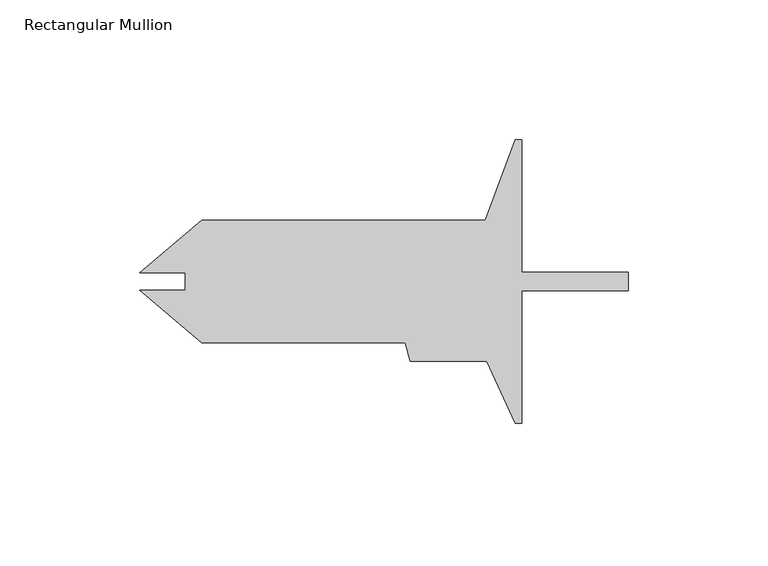
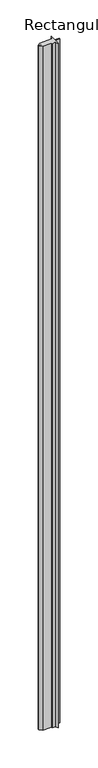
"""IFC4 building model written with IfcOpenShell, lengths in millimetres: member geometry, Rectangular Mullion."""

from ifc_helpers import new_model, si_unit, frame, origin, place, context, project, spatial, polyline, outline, extrude, source, transform, mapped, element, save


def rectangular_mullion_63ae9233(model_context):
    return source(origin(), model_context, "Body", "SweptSolid", [
        extrude(outline(polyline([(-38.1000436, 35.0203513), (0.0, 35.0203513), (0.0, 28.2893513), (-38.1000436, 28.2893513), (-38.1000436, -19.1451487), (-40.48125, -19.1451487), (-50.8, 3.0798513), (-78.0418226, 3.0798513), (-79.8317768, 9.7600513), (-152.7177568, 9.7600513), (-175.0425723, 28.4927958), (-158.7640136, 28.4927958), (-158.7640136, 34.8169068), (-175.0425723, 34.8169068), (-152.7177568, 53.5496513), (-51.2594602, 53.5496513), (-40.48125, 82.4548513), (-38.1000436, 82.4548513), (-38.1000436, 35.0203513)])), frame((0.0, 0.0, -6000.75), z_axis=(0.0, 0.0, 1.0), x_axis=(1.0, 0.0, 0.0)), (0.0, 0.0, 1.0), 6000.75),
    ])


if __name__ == "__main__":
    model = new_model("IFC4")
    model_context = context("Model", 3, world=origin())
    ifc_project = project(units=[si_unit("LENGTHUNIT", "METRE", prefix="MILLI")], contexts=[model_context])
    site = spatial("IfcSite", under=ifc_project)
    building = spatial("IfcBuilding", under=site)
    placement = place(None, origin())
    rectangular_mullion_shape = rectangular_mullion_63ae9233(model_context)
    element("IfcMember", 1, ObjectType="Rectangular Mullion", at=placement, inside=building, context=model_context, shape_type="MappedRepresentation", body=[
        mapped(rectangular_mullion_shape, transform((0.0, 0.0, 0.0), x_axis=(1.0, 0.0, 0.0), y_axis=(0.0, 1.0, 0.0), z_axis=(0.0, 0.0, 1.0))),
    ])
    save(model, "model.ifc")
